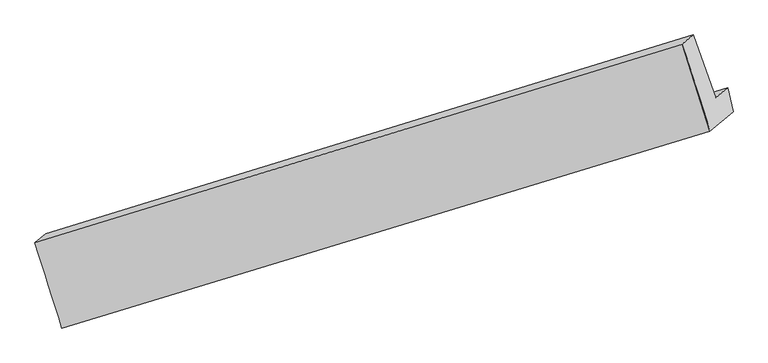
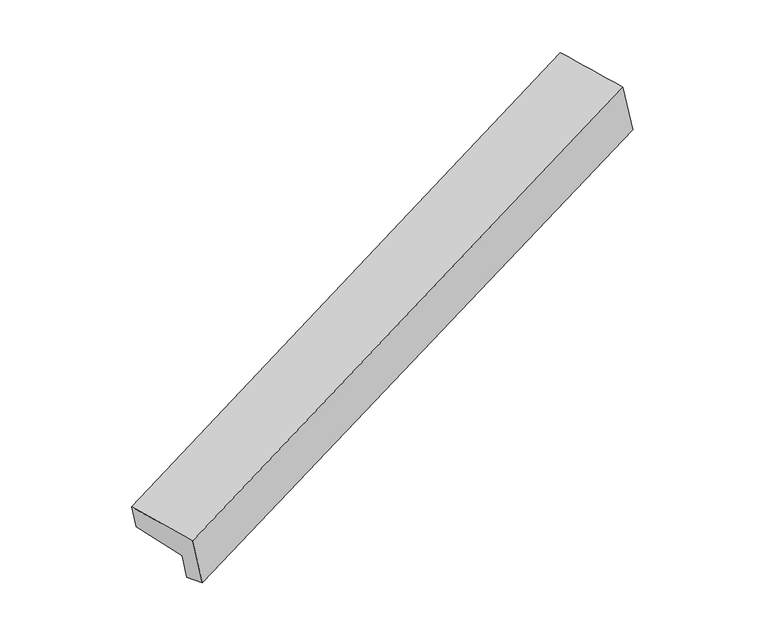
"""IFC4 building model written with IfcOpenShell, lengths in millimetres: proxy geometry."""

from ifc_helpers import new_model, si_unit, frame, origin, place, context, project, spatial, source, transform, mapped, element, save
from ifc_brep_helpers import plane_surface, spline_surface, advanced_brep


def generic_models_92da5547(model_context):
    return source(origin(), model_context, "Body", "AdvancedBrep", [
        advanced_brep(
        [(-6055.7984762, -2930.3744836, 1075.9939968), (-5828.4560987, -2739.9009611, 333.9827601), (551.7955213, -801.2282933, 2786.4623104), (324.4531438, -991.7018158, 3528.4735472), (-6321.5210978, -2091.6839808, 1097.1786922), (51.9670288, -134.3856123, 3552.3671963), (-6214.6160512, -2002.1160744, 748.2567416), (158.8720753, -44.8177059, 3203.4452457), (-5997.3005416, -2600.5721271, 661.2162702), (382.9510785, -661.8994593, 3113.6958206), (-5882.4146822, -2504.3176823, 286.2461501), (497.8369379, -565.6450145, 2738.7257004)],
        [
            (0, 1),
            (1, 2),
            (2, 3),
            (3, 0),
            (4, 0),
            (3, 5),
            (5, 4),
            (6, 4),
            (5, 7),
            (7, 6),
            (8, 6),
            (7, 9),
            (9, 8),
            (10, 8),
            (9, 11),
            (11, 10),
            (1, 10),
            (11, 2),
        ],
        [
            plane_surface(frame((-5942.1272875, -2835.1377223, 704.9883785), z_axis=(0.33564820804939965, -0.9320568101725599, -0.1364198777458017), x_axis=(0.2845014661555635, 0.2383629353239371, -0.9285698825716303))),
            spline_surface(1, 1, [[(-6321.5210978, -2091.6839808, 1097.1786922), (51.9670288, -134.3856123, 3552.3671963)], [(-6055.7984762, -2930.3744836, 1075.9939968), (324.4531438, -991.7018158, 3528.4735472)]], [2, 2], [2, 2], [0.0, 1.0], [0.0, 1.0]),
            plane_surface(frame((-6268.0685745, -2046.9000276, 922.7177169), z_axis=(-0.3381746757124301, 0.9312850330202513, 0.13544768724220385), x_axis=(-0.28450146615555266, -0.23836293532393785, 0.9285698825716334))),
            plane_surface(frame((-6105.9582964, -2301.3441008, 704.7365059), z_axis=(0.28450146615555183, 0.23836293532393818, -0.9285698825716338), x_axis=(-0.3381746757124257, 0.9312850330202528, 0.13544768724220616))),
            plane_surface(frame((-5939.8576119, -2552.4449047, 473.7312101), z_axis=(-0.3356482080494029, 0.9320568101725586, 0.13641987774580377), x_axis=(-0.2845014661555517, -0.23836293532393682, 0.9285698825716341))),
            plane_surface(frame((-5855.4353905, -2622.1093217, 310.1144551), z_axis=(0.38296215994712524, -0.09840407292385109, -0.9185078238537928), x_axis=(-0.21902954879933711, 0.9562834298159254, -0.1937732143828164))),
            plane_surface(frame((327.9792976, -533.2796502, 3153.8616368), z_axis=(0.8970489420662269, 0.275483753307201, 0.3455602656580188), x_axis=(-0.3381746757124257, 0.9312850330202528, 0.13544768724220616))),
            plane_surface(frame((-6050.0178246, -2478.1608849, 700.4791018), z_axis=(-0.8970489420662225, -0.275483753307203, -0.34556026565802833), x_axis=(-0.2845014661555622, -0.23836293532393782, 0.9285698825716305))),
        ],
        [
            (0, [[1, 2, 3, 4]]),
            (1, [[5, -4, 6, 7]]),
            (2, [[8, -7, 9, 10]]),
            (3, [[11, -10, 12, 13]]),
            (4, [[14, -13, 15, 16]]),
            (5, [[17, -16, 18, -2]]),
            (6, [[-12, -9, -6, -3, -18, -15]]),
            (7, [[-1, -5, -8, -11, -14, -17]]),
        ],
    ),
    ])


if __name__ == "__main__":
    model = new_model("IFC4")
    model_context = context("Model", 3, world=origin())
    ifc_project = project(units=[si_unit("LENGTHUNIT", "METRE", prefix="MILLI")], contexts=[model_context])
    site = spatial("IfcSite", under=ifc_project)
    building = spatial("IfcBuilding", under=site)
    placement = place(None, origin())
    generic_models_shape = generic_models_92da5547(model_context)
    element("IfcBuildingElementProxy", 1, Name="Generic Models", at=placement, inside=building, context=model_context, shape_type="MappedRepresentation", body=[
        mapped(generic_models_shape, transform((0.0, 0.0, 0.0), x_axis=(1.0, 0.0, 0.0), y_axis=(0.0, 1.0, 0.0), z_axis=(0.0, 0.0, 1.0))),
    ])
    save(model, "model.ifc")
